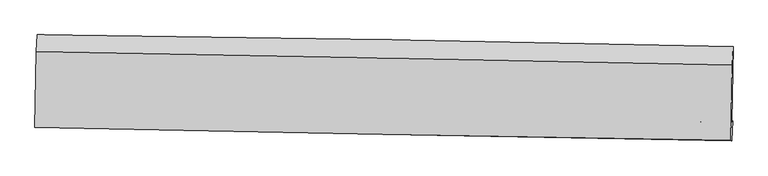
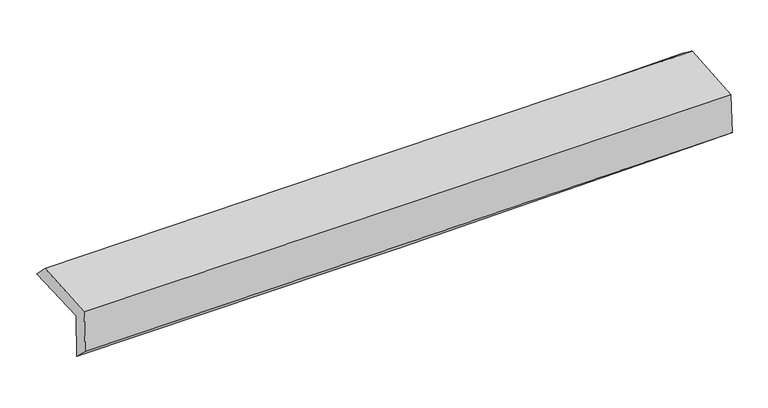
"""IFC4 building model written with IfcOpenShell, lengths in millimetres: proxy geometry."""

from ifc_helpers import new_model, si_unit, frame, origin, place, context, project, spatial, source, transform, mapped, element, save
from ifc_brep_helpers import plane_surface, spline_curve, spline_surface, advanced_brep


def generic_models_cd4c0483(model_context):
    return source(origin(), model_context, "Body", "AdvancedBrep", [
        advanced_brep(
        [(-3030.7396957, -1754.1445144, 1966.7149446), (-3017.512348, -1084.526307, 1974.336648), (3019.7630526, -1187.1870129, 2126.7252368), (3006.8274658, -1842.263476, 2119.0586254), (-3021.6399224, -1742.1193089, 1553.3210323), (3016.10028, -1835.0379561, 1693.1115407), (-3027.6642501, -1891.3762761, 1695.1535355), (3009.6468504, -2006.0809344, 1834.6377708), (-3036.0032697, -1888.1816525, 2087.2510654), (3001.5199482, -2002.9675716, 2216.76162), (-3023.4974057, -1228.9681238, 2118.8298717), (3013.9326759, -1348.6634749, 2248.1052461)],
        [
            (0, 1),
            (1, 2, spline_curve(3, [(-3017.512348, -1084.526307, 1974.336648), (-2010.69046805, -1096.641252462, 1976.80455004), (-1004.182238216, -1111.253586461, 1990.737117785), (1008.242917959, -1145.473643035, 2041.532493794), (2014.159821608, -1165.081544407, 2078.396122065), (3019.7630526, -1187.1870129, 2126.7252368)], [4, 2, 4], [0.0, 9.908768684022522, 19.817891851599768])),
            (2, 3),
            (3, 0, spline_curve(3, [(3006.8274658, -1842.263476, 2119.0586254), (2001.00829982, -1831.304129129, 2070.404754347), (994.959116787, -1818.481044488, 2033.382493158), (-1017.563287105, -1789.107923711, 1982.602098154), (-2024.03649076, -1772.558021523, 1968.843132763), (-3030.7396957, -1754.1445144, 1966.7149446)], [4, 2, 4], [0.0, 9.909123167577246, 19.817891851599768])),
            (4, 0),
            (3, 5),
            (5, 4, spline_curve(3, [(3016.10028, -1835.0379561, 1693.1115407), (2009.973697606, -1821.970662198, 1660.769361446), (1003.756388193, -1807.693634269, 1632.948935285), (-1008.823685479, -1776.720665346, 1586.352422789), (-2015.186443559, -1760.024810835, 1567.576012734), (-3021.6399224, -1742.1193089, 1553.3210323)], [4, 2, 4], [0.0, 9.908804876292587, 19.81725528041683])),
            (6, 4),
            (5, 7),
            (7, 6, spline_curve(3, [(3009.6468504, -2006.0809344, 1834.6377708), (2003.446361923, -1989.477497634, 1809.043883356), (997.227859501, -1971.616864276, 1784.623066413), (-1015.209174946, -1933.381888035, 1738.128405239), (-2021.42770641, -1913.007635463, 1716.054477047), (-3027.6642501, -1891.3762761, 1695.1535355)], [4, 2, 4], [0.0, 9.908422418351837, 19.81649037821717])),
            (8, 6),
            (7, 9),
            (9, 8, spline_curve(3, [(3001.5199482, -2002.9675716, 2216.76162), (1995.212617723, -1986.323204458, 2196.191397382), (988.923018503, -1968.435334117, 2175.113538047), (-1023.584719483, -1930.173272078, 2131.94331654), (-2029.802859601, -1909.799169257, 2109.85099131), (-3036.0032697, -1888.1816525, 2087.2510654)], [4, 2, 4], [0.0, 9.908330208748605, 19.816305962309364])),
            (10, 8),
            (9, 11),
            (11, 10, spline_curve(3, [(3013.9326759, -1348.6634749, 2248.1052461), (2007.73547384, -1326.213986574, 2227.81311081), (1001.508699155, -1305.014473898, 2206.893891324), (-1010.96799649, -1265.116112766, 2163.802054862), (-2017.217916212, -1246.417175209, 2141.629483089), (-3023.4974057, -1228.9681238, 2118.8298717)], [4, 2, 4], [0.0, 9.908316919985262, 19.816279385258063])),
            (1, 10),
            (11, 2),
        ],
        [
            spline_surface(3, 3, [[(-3030.7396957, -1754.1445144, 1966.7149446), (-2024.036490821, -1772.55802149, 1968.843132655), (-1017.563286965, -1789.107923823, 1982.602098277), (994.959116647, -1818.481044375, 2033.382493035), (2001.00829998, -1831.304129223, 2070.404754315), (3006.8274658, -1842.263476, 2119.0586254)], [(-3026.330579809, -1530.938445281, 1969.255512418), (-2019.587816545, -1547.252431854, 1971.496938443), (-1013.10293732, -1563.15647804, 1985.313771459), (999.387050415, -1594.14524394, 2036.099159948), (2005.392140509, -1609.229934294, 2073.068543602), (3011.139328078, -1623.904654959, 2121.614162524)], [(-3021.921463891, -1307.732376119, 1971.796080182), (-2015.139142243, -1321.946842173, 1974.150744176), (-1008.642587765, -1337.205032232, 1988.025444632), (1003.814984095, -1369.809443481, 2038.815826851), (2009.775981005, -1387.155739388, 2075.732332917), (3015.451190322, -1405.545833941, 2124.169699676)], [(-3017.512348, -1084.526307, 1974.336648), (-2010.690467967, -1096.641252536, 1976.804549963), (-1004.18223812, -1111.253586449, 1990.737117815), (1008.242917863, -1145.473643047, 2041.532493764), (2014.159821534, -1165.081544459, 2078.396122203), (3019.7630526, -1187.1870129, 2126.7252368)]], [4, 4], [4, 2, 4], [0.0, 2.2165729130653746], [0.0, 9.908768684022522, 19.817891851599768]),
            spline_surface(3, 3, [[(-3021.6399224, -1742.1193089, 1553.3210323), (-2015.186443705, -1760.024810728, 1567.576012719), (-1008.823685622, -1776.720665325, 1586.352422729), (1003.756388336, -1807.69363429, 1632.948935345), (2009.973697719, -1821.970662066, 1660.769361479), (3016.10028, -1835.0379561, 1693.1115407)], [(-3024.673180169, -1746.127710738, 1691.119003051), (-2018.136459413, -1764.202547653, 1701.331719348), (-1011.736886075, -1780.849751478, 1718.435647907), (1000.823964434, -1811.289437638, 1766.426787903), (2006.985231791, -1825.081817786, 1797.31449243), (3013.009341919, -1837.446462734, 1835.093902272)], [(-3027.706437931, -1750.136112562, 1828.916973849), (-2021.086475114, -1768.380284565, 1835.087426025), (-1014.650086512, -1784.97883767, 1850.518873099), (997.891540549, -1814.885241027, 1899.904640476), (2003.996765908, -1828.192973503, 1933.859623365), (3009.918403881, -1839.854969366, 1977.076263828)], [(-3030.7396957, -1754.1445144, 1966.7149446), (-2024.036490821, -1772.55802149, 1968.843132655), (-1017.563286965, -1789.107923823, 1982.602098277), (994.959116647, -1818.481044375, 2033.382493035), (2001.00829998, -1831.304129223, 2070.404754315), (3006.8274658, -1842.263476, 2119.0586254)]], [4, 4], [4, 2, 4], [0.0, 1.3077645703966394], [0.0, 9.908450404124244, 19.81725528041683]),
            spline_surface(3, 3, [[(-3027.6642501, -1891.3762761, 1695.1535355), (-2021.42770647, -1913.007635426, 1716.054477117), (-1015.209175103, -1933.381888128, 1738.12840524), (997.227859658, -1971.616864182, 1784.623066412), (2003.446361846, -1989.477497566, 1809.043883389), (3009.6468504, -2006.0809344, 1834.6377708)], [(-3025.656140884, -1841.623953689, 1647.876034444), (-2019.347285566, -1862.013360516, 1666.561655662), (-1013.080678635, -1881.161480535, 1687.536411054), (999.404035859, -1916.975787559, 1734.065022707), (2005.62214048, -1933.641885727, 1759.619042757), (3011.79799361, -1949.066608295, 1787.462360772)], [(-3023.648031616, -1791.871631311, 1600.598533356), (-2017.26686461, -1811.019085638, 1617.068834174), (-1010.95218209, -1828.941072919, 1636.944416915), (1001.580212136, -1862.334710913, 1683.50697905), (2007.797919084, -1877.806273904, 1710.19420211), (3013.94913679, -1892.052282205, 1740.286950728)], [(-3021.6399224, -1742.1193089, 1553.3210323), (-2015.186443705, -1760.024810728, 1567.576012719), (-1008.823685622, -1776.720665325, 1586.352422729), (1003.756388336, -1807.69363429, 1632.948935345), (2009.973697719, -1821.970662066, 1660.769361479), (3016.10028, -1835.0379561, 1693.1115407)]], [4, 4], [4, 2, 4], [0.0, 0.7244331095534051], [0.0, 9.908067959865335, 19.81649037821717]),
            spline_surface(3, 3, [[(-3036.0032697, -1888.1816525, 2087.2510654), (-2029.802859592, -1909.799169312, 2109.850991469), (-1023.584719497, -1930.173272095, 2131.943316703), (988.923018516, -1968.4353341, 2175.113537884), (1995.212617758, -1986.323204341, 2196.191397526), (3001.5199482, -2002.9675716, 2216.76162)], [(-3033.223596499, -1889.246527036, 1956.551888772), (-2027.011141884, -1910.868658019, 1978.58548669), (-1020.792871367, -1931.242810766, 2000.67167956), (991.691298896, -1969.495844121, 2044.950047405), (1997.957199113, -1987.374635421, 2067.142226157), (3004.228915592, -2004.005359205, 2089.38700361)], [(-3030.443923301, -1890.311401564, 1825.852712128), (-2024.219424179, -1911.938146719, 1847.319981895), (-1018.001023233, -1932.312349457, 1869.400042383), (994.459579279, -1970.556354162, 1914.786556892), (2000.701780491, -1988.426066486, 1938.093054757), (3006.937883008, -2005.043146795, 1962.01238719)], [(-3027.6642501, -1891.3762761, 1695.1535355), (-2021.42770647, -1913.007635426, 1716.054477117), (-1015.209175103, -1933.381888128, 1738.12840524), (997.227859658, -1971.616864182, 1784.623066412), (2003.446361846, -1989.477497566, 1809.043883389), (3009.6468504, -2006.0809344, 1834.6377708)]], [4, 4], [4, 2, 4], [0.0, 1.2869236324361568], [0.0, 9.907975753560759, 19.816305962309364]),
            spline_surface(3, 3, [[(-3023.4974057, -1228.9681238, 2118.8298717), (-2017.217916117, -1246.417175305, 2141.629482928), (-1010.967996655, -1265.116112863, 2163.802054938), (1001.508699319, -1305.014473801, 2206.893891248), (2007.735473741, -1326.213986607, 2227.813110748), (3013.9326759, -1348.6634749, 2248.1052461)], [(-3027.666027015, -1448.705966697, 2108.303602914), (-2021.412897257, -1467.544506638, 2131.036652423), (-1015.173570918, -1486.801832609, 2153.182475528), (997.313472403, -1526.154760569, 2196.300440128), (2003.561188421, -1546.250392519, 2217.272539671), (3009.795100008, -1566.764840468, 2237.657370731)], [(-3031.834648385, -1668.443809603, 2097.777334186), (-2025.607878452, -1688.671837979, 2120.443821975), (-1019.379145234, -1708.48755235, 2142.562896113), (993.118245433, -1747.295047332, 2185.706989004), (1999.386903078, -1766.286798429, 2206.731968603), (3005.657524092, -1784.866206032, 2227.209495369)], [(-3036.0032697, -1888.1816525, 2087.2510654), (-2029.802859592, -1909.799169312, 2109.850991469), (-1023.584719497, -1930.173272095, 2131.943316703), (988.923018516, -1968.4353341, 2175.113537884), (1995.212617758, -1986.323204341, 2196.191397526), (3001.5199482, -2002.9675716, 2216.76162)]], [4, 4], [4, 2, 4], [0.0, 2.182152434425211], [0.0, 9.907962465272801, 19.816279385258063]),
            spline_surface(3, 3, [[(-3017.512348, -1084.526307, 1974.336648), (-2010.690467967, -1096.641252536, 1976.804549963), (-1004.18223812, -1111.253586449, 1990.737117815), (1008.242917863, -1145.473643047, 2041.532493764), (2014.159821534, -1165.081544459, 2078.396122203), (3019.7630526, -1187.1870129, 2126.7252368)], [(-3019.507367224, -1132.673579259, 2022.501055901), (-2012.866284008, -1146.566560118, 2031.746194286), (-1006.444157647, -1162.541095257, 2048.425430194), (1005.998178333, -1198.653919967, 2096.652959597), (2012.018372262, -1218.792358514, 2128.201785043), (3017.819593693, -1241.012500239, 2167.185239891)], [(-3021.502386476, -1180.820851541, 2070.665463799), (-2015.042100076, -1196.491867723, 2086.687838606), (-1008.706077128, -1213.828604056, 2106.113742558), (1003.753438849, -1251.83419688, 2151.773425415), (2009.876923012, -1272.503172552, 2178.007447909), (3015.876134807, -1294.837987561, 2207.645243009)], [(-3023.4974057, -1228.9681238, 2118.8298717), (-2017.217916117, -1246.417175305, 2141.629482928), (-1010.967996655, -1265.116112863, 2163.802054938), (1001.508699319, -1305.014473801, 2206.893891248), (2007.735473741, -1326.213986607, 2227.813110748), (3013.9326759, -1348.6634749, 2248.1052461)]], [4, 4], [4, 2, 4], [0.0, 0.7569729868412729], [0.0, 9.908149749288095, 19.816653959988688]),
            plane_surface(frame((3011.2983788, -1703.700071, 2039.7333399), z_axis=(0.9995706904135625, -0.01998890833615541, 0.021421447422686344), x_axis=(0.0212622041532353, -0.008145410679940738, -0.9997407518749055))),
            plane_surface(frame((-3026.1761486, -1598.2193638, 1899.2678496), z_axis=(-0.9995706904135591, 0.0199889083361926, -0.021421447422818277), x_axis=(-0.019748434802425916, -0.9997402227549556, -0.011379205979605915))),
        ],
        [
            (0, [[1, 2, 3, 4]]),
            (1, [[5, -4, 6, 7]]),
            (2, [[8, -7, 9, 10]]),
            (3, [[11, -10, 12, 13]]),
            (4, [[14, -13, 15, 16]]),
            (5, [[17, -16, 18, -2]]),
            (6, [[-12, -9, -6, -3, -18, -15]]),
            (7, [[-1, -5, -8, -11, -14, -17]]),
        ],
    ),
    ])


if __name__ == "__main__":
    model = new_model("IFC4")
    model_context = context("Model", 3, world=origin())
    ifc_project = project(units=[si_unit("LENGTHUNIT", "METRE", prefix="MILLI")], contexts=[model_context])
    site = spatial("IfcSite", under=ifc_project)
    building = spatial("IfcBuilding", under=site)
    placement = place(None, origin())
    generic_models_shape = generic_models_cd4c0483(model_context)
    element("IfcBuildingElementProxy", 1, Name="Generic Models", at=placement, inside=building, context=model_context, shape_type="MappedRepresentation", body=[
        mapped(generic_models_shape, transform((0.0, 0.0, 0.0), x_axis=(1.0, 0.0, 0.0), y_axis=(0.0, 1.0, 0.0), z_axis=(0.0, 0.0, 1.0))),
    ])
    save(model, "model.ifc")
